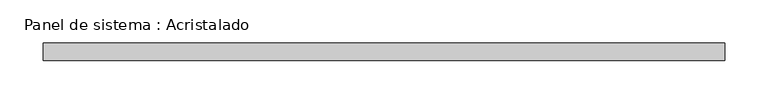
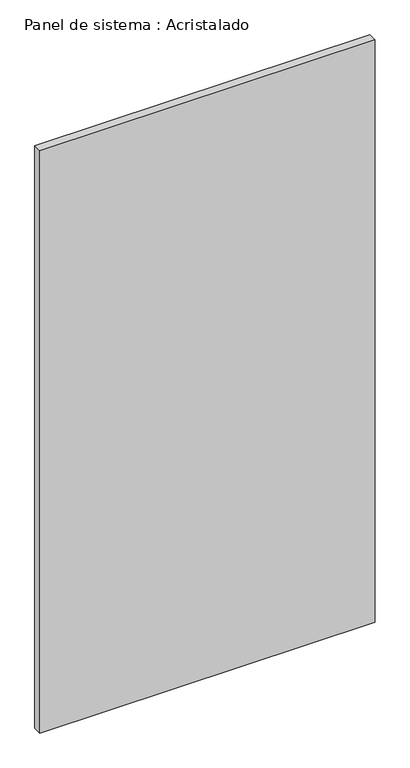
"""IFC4 building model written with IfcOpenShell, lengths in millimetres: plate geometry, Panel de sistema : Acristalado."""

from ifc_helpers import new_model, si_unit, origin, origin_with_axes, place, context, project, spatial, polyline, outline, extrude, source, transform, mapped, element, save


def panel_de_sistema_acristalado_6440bcb9(model_context):
    return source(origin(), model_context, "Body", "SweptSolid", [
        extrude(outline(polyline([(391.9029976, -10.0), (-391.9029976, -10.0), (-391.9029976, 10.0), (391.9029976, 10.0), (391.9029976, -10.0)])), origin_with_axes(), (0.0, 0.0, 1.0), 1439.2228533),
    ])


if __name__ == "__main__":
    model = new_model("IFC4")
    model_context = context("Model", 3, world=origin())
    ifc_project = project(units=[si_unit("LENGTHUNIT", "METRE", prefix="MILLI")], contexts=[model_context])
    site = spatial("IfcSite", under=ifc_project)
    building = spatial("IfcBuilding", under=site)
    placement = place(None, origin())
    panel_de_sistema_acristalado_shape = panel_de_sistema_acristalado_6440bcb9(model_context)
    element("IfcPlate", 1, ObjectType="Panel de sistema : Acristalado", at=placement, inside=building, context=model_context, shape_type="MappedRepresentation", body=[
        mapped(panel_de_sistema_acristalado_shape, transform((0.0, 0.0, 0.0), x_axis=(1.0, 0.0, 0.0), y_axis=(0.0, 1.0, 0.0), z_axis=(0.0, 0.0, 1.0))),
    ])
    save(model, "model.ifc")
